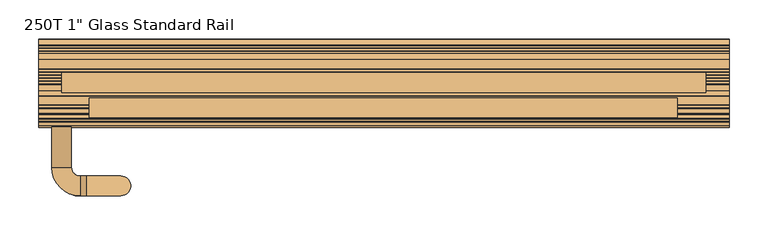
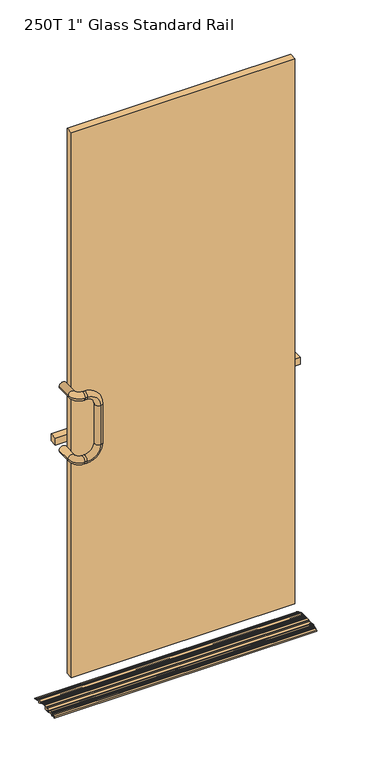
"""IFC4 building model written with IfcOpenShell, lengths in millimetres: door geometry."""

from ifc_helpers import new_model, si_unit, point, frame, origin, place, context, project, spatial, polyline, circle_curve, ellipse_curve, trimmed, outline, extrude, source, transform, mapped, element, save
from ifc_brep_helpers import plane_surface, cylinder_surface, revolved_surface, advanced_brep


def door_882f4938(model_context):
    return source(origin(), model_context, "Body", "SolidModel", [
        advanced_brep(
        [(444.5, -56.0018773, 3.232503), (444.5, -57.8173069, 0.00297), (444.5, -52.9111102, 0.6605015), (444.5, -52.9111102, 1.6039432), (444.5, -46.965502, 4.3301985), (444.5, -45.8499102, 3.6144549), (444.5, -45.8499102, 0.0), (444.5, -43.0813102, 0.0), (444.5, -43.0813102, 4.2226083), (444.5, -41.3543822, 3.5815015), (444.5, -39.1697102, 3.5815015), (444.5, -36.7821102, 5.9691015), (444.5, -36.7821102, 8.3567015), (444.5, -33.9472582, 8.3567015), (444.5, -33.2491045, 7.2051859), (444.5, -32.7767326, 3.1751015), (444.5, -27.3254878, 3.1751015), (444.5, -26.8531158, 7.2051859), (444.5, -26.1549621, 8.3567015), (444.5, -23.6757102, 8.3567015), (444.5, -22.8883102, 7.5693015), (444.5, -22.8883102, 0.7875015), (444.5, -22.1009102, 0.0001015), (444.5, -16.5637102, 0.0), (444.5, -16.5637102, 2.7687015), (444.5, -10.2137102, 2.7687015), (444.5, -10.2137102, 0.0), (444.5, -4.6765102, 0.0), (444.5, -3.8891102, 0.7875015), (444.5, -3.8891102, 8.3567015), (444.5, -3.1017102, 9.1441015), (444.5, 2.8752689, 9.1441015), (444.5, 3.6626689, 9.9315015), (444.5, 4.7294689, 9.9315015), (444.5, 5.5168689, 9.1441015), (444.5, 10.7270162, 9.1441015), (444.5, 11.5144162, 9.9315015), (444.5, 12.5812162, 9.9315015), (444.5, 13.3686162, 9.1441015), (444.5, 18.5787635, 9.1441015), (444.5, 19.3661635, 9.9315015), (444.5, 26.1637123, 9.9315015), (444.5, 26.613477, 8.4977963), (444.5, 25.9480674, 3.1751015), (444.5, 30.7056898, 3.1751015), (444.5, 30.7056898, 0.0), (444.5, 32.7376898, 0.0), (444.5, 32.7376898, 5.5373015), (444.5, 32.3312276, 7.3088865), (444.5, 33.3475373, 8.3769366), (444.5, 35.2822455, 7.5557017), (444.5, 35.6993893, 6.5232345), (444.5, 40.7496471, 4.3795272), (444.5, 41.7821143, 4.7966711), (444.5, 42.7641089, 4.3798391), (444.5, 43.1812527, 3.3473719), (444.5, 48.2315106, 1.2036646), (444.5, 49.2639778, 1.6208084), (444.5, 51.5229181, 0.6619452), (444.5, 56.4613134, 9.84e-05), (444.5, 56.4613134, 1.0522594), (444.5, 55.9815515, 1.7770649), (444.5, 49.166473, 4.6698941), (444.5, 48.1340058, 4.2527503), (444.5, 45.188022, 5.5032462), (444.5, 44.7708782, 6.5357134), (444.5, 41.6846095, 7.8457567), (444.5, 40.6521423, 7.4286129), (444.5, 37.7061586, 8.6791088), (444.5, 37.2890147, 9.711576), (444.5, 30.2484898, 12.7001015), (444.5, 18.3612898, 12.7001015), (444.5, 17.5738898, 11.9127015), (444.5, 14.3734898, 11.9127015), (444.5, 13.5860898, 12.7001015), (444.5, 10.5095425, 12.7001015), (444.5, 9.7221425, 11.9127015), (444.5, 6.5217425, 11.9127015), (444.5, 5.7343425, 12.7001015), (444.5, 2.6577952, 12.7001015), (444.5, 1.8703952, 11.9127015), (444.5, -1.3300048, 11.9127015), (444.5, -2.1174048, 12.7001015), (444.5, -10.2137102, 12.7001015), (444.5, -10.2137102, 10.3379015), (444.5, -16.5637102, 10.3379015), (444.5, -17.3511102, 11.1253015), (444.5, -28.1461102, 11.1253015), (444.5, -28.9335102, 10.3379015), (444.5, -32.1339102, 10.3379015), (444.5, -32.9213102, 11.1253015), (444.5, -38.7887102, 11.1253015), (444.5, -40.666302, 10.2643645), (444.5, -41.1255102, 9.5486209), (444.5, -41.1255102, 6.449763), (444.5, -45.4689102, 8.062212), (444.5, -46.3231848, 7.6704992), (444.5, -46.7107366, 6.6265638), (444.5, -49.619888, 5.292623), (444.5, -50.6638234, 5.6801748), (-444.5, -56.0018773, 3.232503), (-444.5, -50.6638234, 5.6801748), (-444.5, -49.619888, 5.292623), (-444.5, -46.7107366, 6.6265638), (-444.5, -46.3231848, 7.6704992), (-444.5, -45.4689102, 8.062212), (-444.5, -41.1255102, 6.449763), (-444.5, -41.1255102, 9.5486209), (-444.5, -40.666302, 10.2643645), (-444.5, -38.7887102, 11.1253015), (-444.5, -32.9213102, 11.1253015), (-444.5, -32.1339102, 10.3379015), (-444.5, -28.9335102, 10.3379015), (-444.5, -28.1461102, 11.1253015), (-444.5, -17.3511102, 11.1253015), (-444.5, -16.5637102, 10.3379015), (-444.5, -10.2137102, 10.3379015), (-444.5, -10.2137102, 12.7001015), (-444.5, -2.1174048, 12.7001015), (-444.5, -1.3300048, 11.9127015), (-444.5, 1.8703952, 11.9127015), (-444.5, 2.6577952, 12.7001015), (-444.5, 5.7343425, 12.7001015), (-444.5, 6.5217425, 11.9127015), (-444.5, 9.7221425, 11.9127015), (-444.5, 10.5095425, 12.7001015), (-444.5, 13.5860898, 12.7001015), (-444.5, 14.3734898, 11.9127015), (-444.5, 17.5738898, 11.9127015), (-444.5, 18.3612898, 12.7001015), (-444.5, 30.2484898, 12.7001015), (-444.5, 37.2890147, 9.711576), (-444.5, 37.7061586, 8.6791088), (-444.5, 40.6521423, 7.4286129), (-444.5, 41.6846095, 7.8457567), (-444.5, 44.7708782, 6.5357134), (-444.5, 45.188022, 5.5032462), (-444.5, 48.1340058, 4.2527503), (-444.5, 49.166473, 4.6698941), (-444.5, 55.9815515, 1.7770649), (-444.5, 56.4612898, 1.0522594), (-444.5, 56.4613134, 9.84e-05), (-444.5, 51.5229181, 0.6619452), (-444.5, 49.2639778, 1.6208084), (-444.5, 48.2315106, 1.2036646), (-444.5, 43.1812527, 3.3473719), (-444.5, 42.7641089, 4.3798391), (-444.5, 41.7821143, 4.7966711), (-444.5, 40.7496471, 4.3795272), (-444.5, 35.6993893, 6.5232345), (-444.5, 35.2822455, 7.5557017), (-444.5, 33.3475373, 8.3769366), (-444.5, 32.3312276, 7.3088865), (-444.5, 32.7376898, 5.5373015), (-444.5, 32.7376898, 0.0), (-444.5, 30.7056898, 0.0), (-444.5, 30.7056898, 3.1751015), (-444.5, 25.9480674, 3.1751015), (-444.5, 26.613477, 8.4977963), (-444.5, 26.1637123, 9.9315015), (-444.5, 19.3661635, 9.9315015), (-444.5, 18.5787635, 9.1441015), (-444.5, 13.3686162, 9.1441015), (-444.5, 12.5812162, 9.9315015), (-444.5, 11.5144162, 9.9315015), (-444.5, 10.7270162, 9.1441015), (-444.5, 5.5168689, 9.1441015), (-444.5, 4.7294689, 9.9315015), (-444.5, 3.6626689, 9.9315015), (-444.5, 2.8752689, 9.1441015), (-444.5, -3.1017102, 9.1441015), (-444.5, -3.8891102, 8.3567015), (-444.5, -3.8891102, 0.7875015), (-444.5, -4.6765102, 0.0001015), (-444.5, -10.2137102, 0.0), (-444.5, -10.2137102, 2.7687015), (-444.5, -16.5637102, 2.7687015), (-444.5, -16.5637102, 0.0), (-444.5, -22.1009102, 0.0), (-444.5, -22.8883102, 0.7875015), (-444.5, -22.8883102, 7.5693015), (-444.5, -23.6757102, 8.3567015), (-444.5, -26.1549621, 8.3567015), (-444.5, -26.8531158, 7.2051859), (-444.5, -27.3254878, 3.1751015), (-444.5, -32.7767326, 3.1751015), (-444.5, -33.2491045, 7.2051859), (-444.5, -33.9472582, 8.3567015), (-444.5, -36.7821102, 8.3567015), (-444.5, -36.7821102, 5.9691015), (-444.5, -39.1697102, 3.5815015), (-444.5, -41.3543822, 3.5815015), (-444.5, -43.0813102, 4.2226083), (-444.5, -43.0813102, 0.0), (-444.5, -45.8499102, 0.0), (-444.5, -45.8499102, 3.6144549), (-444.5, -46.965502, 4.3301985), (-444.5, -52.9111102, 1.6039432), (-444.5, -52.9111102, 0.6605015), (-444.5, -57.8173069, 0.00297)],
        [
            (0, 1, circle_curve(frame((444.5, -54.6891102, 0.3695285), z_axis=(1.0, 0.0, 0.0), x_axis=(0.0, 1.0, 0.0)), 3.1496)),
            (1, 2),
            (2, 3),
            (3, 4),
            (4, 5, circle_curve(frame((444.5, -46.6373102, 3.6144549), z_axis=(-1.0, 0.0, 0.0), x_axis=(0.0, 1.0, 0.0)), 0.7874)),
            (5, 6),
            (6, 7),
            (7, 8),
            (8, 9),
            (9, 10),
            (10, 11, circle_curve(frame((444.5, -39.1697102, 5.9691015), z_axis=(1.0, 0.0, 0.0), x_axis=(0.0, 1.0, 0.0)), 2.3876)),
            (11, 12),
            (12, 13),
            (13, 14, circle_curve(frame((444.5, -33.9472582, 7.5693015), z_axis=(-1.0, 0.0, 0.0), x_axis=(0.0, 1.0, 0.0)), 0.7874)),
            (14, 15, circle_curve(frame((444.5, -30.0511102, 5.5373015), z_axis=(1.0, 0.0, 0.0), x_axis=(0.0, 1.0, 0.0)), 3.6068)),
            (15, 16),
            (16, 17, circle_curve(frame((444.5, -30.0511102, 5.5373015), z_axis=(1.0, 0.0, 0.0), x_axis=(0.0, 1.0, 0.0)), 3.6068)),
            (17, 18, circle_curve(frame((444.5, -26.1549621, 7.5693015), z_axis=(-1.0, 0.0, 0.0), x_axis=(0.0, 1.0, 0.0)), 0.7874)),
            (18, 19),
            (19, 20, circle_curve(frame((444.5, -23.6757102, 7.5693015), z_axis=(-1.0, 0.0, 0.0), x_axis=(0.0, 1.0, 0.0)), 0.7874)),
            (20, 21),
            (21, 22, circle_curve(frame((444.5, -22.1009102, 0.7875015), z_axis=(1.0, 0.0, 0.0), x_axis=(0.0, 1.0, 0.0)), 0.7874)),
            (22, 23),
            (23, 24),
            (24, 25),
            (25, 26),
            (26, 27),
            (27, 28, circle_curve(frame((444.5, -4.6765102, 0.7875015), z_axis=(1.0, 0.0, 0.0), x_axis=(0.0, 1.0, 0.0)), 0.7874)),
            (28, 29),
            (29, 30, circle_curve(frame((444.5, -3.1017102, 8.3567015), z_axis=(-1.0, 0.0, 0.0), x_axis=(0.0, 1.0, 0.0)), 0.7874)),
            (30, 31),
            (31, 32),
            (32, 33),
            (33, 34),
            (34, 35),
            (35, 36),
            (36, 37),
            (37, 38),
            (38, 39),
            (39, 40),
            (40, 41),
            (41, 42, circle_curve(frame((444.5, 26.1637123, 9.1441015), z_axis=(-1.0, 0.0, 0.0), x_axis=(0.0, 1.0, 0.0)), 0.7874)),
            (42, 43, circle_curve(frame((444.5, 28.6736898, 5.5373015), z_axis=(1.0, 0.0, 0.0), x_axis=(0.0, 1.0, 0.0)), 3.6068)),
            (43, 44),
            (44, 45),
            (45, 46),
            (46, 47),
            (47, 48, circle_curve(frame((444.5, 28.6736898, 5.5373015), z_axis=(1.0, 0.0, 0.0), x_axis=(0.0, 1.0, 0.0)), 4.064)),
            (48, 49, circle_curve(frame((444.5, 33.0398756, 7.6521311), z_axis=(-1.0, 0.0, 0.0), x_axis=(0.0, 1.0, 0.0)), 0.7874)),
            (49, 50),
            (50, 51),
            (51, 52),
            (52, 53),
            (53, 54),
            (54, 55),
            (55, 56),
            (56, 57),
            (57, 58),
            (58, 59),
            (59, 60),
            (60, 61, circle_curve(frame((444.5, 55.6738898, 1.0522594), z_axis=(1.0, 0.0, 0.0), x_axis=(0.0, 1.0, 0.0)), 0.7874)),
            (61, 62),
            (62, 63),
            (63, 64),
            (64, 65),
            (65, 66),
            (66, 67),
            (67, 68),
            (68, 69),
            (69, 70),
            (70, 71),
            (71, 72),
            (72, 73),
            (73, 74),
            (74, 75),
            (75, 76),
            (76, 77),
            (77, 78),
            (78, 79),
            (79, 80),
            (80, 81),
            (81, 82),
            (82, 83),
            (83, 84),
            (84, 85, circle_curve(frame((444.5, -13.3887102, 24.0835969), z_axis=(-1.0, 0.0, 0.0), x_axis=(0.0, 1.0, 0.0)), 14.1076138)),
            (85, 86, circle_curve(frame((444.5, -17.3511102, 10.3379015), z_axis=(1.0, 0.0, 0.0), x_axis=(0.0, 1.0, 0.0)), 0.7874)),
            (86, 87),
            (87, 88),
            (88, 89),
            (89, 90),
            (90, 91),
            (91, 92),
            (92, 93, circle_curve(frame((444.5, -40.3381102, 9.5486209), z_axis=(1.0, 0.0, 0.0), x_axis=(0.0, 1.0, 0.0)), 0.7874)),
            (93, 94),
            (94, 95),
            (95, 96),
            (96, 97),
            (97, 98),
            (98, 99),
            (99, 0),
            (100, 101),
            (101, 102),
            (102, 103),
            (103, 104),
            (104, 105),
            (105, 106),
            (106, 107),
            (107, 108, circle_curve(frame((-444.5, -40.3381102, 9.5486209), z_axis=(-1.0, 0.0, 0.0), x_axis=(0.0, 1.0, 0.0)), 0.7874)),
            (108, 109),
            (109, 110),
            (110, 111),
            (111, 112),
            (112, 113),
            (113, 114),
            (114, 115, circle_curve(frame((-444.5, -17.3511102, 10.3379015), z_axis=(-1.0, 0.0, 0.0), x_axis=(0.0, 1.0, 0.0)), 0.7874)),
            (115, 116, circle_curve(frame((-444.5, -13.3887102, 24.0835969), z_axis=(1.0, 0.0, 0.0), x_axis=(0.0, 1.0, 0.0)), 14.1076138)),
            (116, 117),
            (117, 118),
            (118, 119),
            (119, 120),
            (120, 121),
            (121, 122),
            (122, 123),
            (123, 124),
            (124, 125),
            (125, 126),
            (126, 127),
            (127, 128),
            (128, 129),
            (129, 130),
            (130, 131),
            (131, 132),
            (132, 133),
            (133, 134),
            (134, 135),
            (135, 136),
            (136, 137),
            (137, 138),
            (138, 139),
            (139, 140, circle_curve(frame((-444.5, 55.6738898, 1.0522594), z_axis=(-1.0, 0.0, 0.0), x_axis=(0.0, 1.0, 0.0)), 0.7874)),
            (140, 141),
            (141, 142),
            (142, 143),
            (143, 144),
            (144, 145),
            (145, 146),
            (146, 147),
            (147, 148),
            (148, 149),
            (149, 150),
            (150, 151),
            (151, 152, circle_curve(frame((-444.5, 33.0398756, 7.6521311), z_axis=(1.0, 0.0, 0.0), x_axis=(0.0, 1.0, 0.0)), 0.7874)),
            (152, 153, circle_curve(frame((-444.5, 28.6736898, 5.5373015), z_axis=(-1.0, 0.0, 0.0), x_axis=(0.0, 1.0, 0.0)), 4.064)),
            (153, 154),
            (154, 155),
            (155, 156),
            (156, 157),
            (157, 158, circle_curve(frame((-444.5, 28.6736898, 5.5373015), z_axis=(-1.0, 0.0, 0.0), x_axis=(0.0, 1.0, 0.0)), 3.6068)),
            (158, 159, circle_curve(frame((-444.5, 26.1637123, 9.1441015), z_axis=(1.0, 0.0, 0.0), x_axis=(0.0, 1.0, 0.0)), 0.7874)),
            (159, 160),
            (160, 161),
            (161, 162),
            (162, 163),
            (163, 164),
            (164, 165),
            (165, 166),
            (166, 167),
            (167, 168),
            (168, 169),
            (169, 170),
            (170, 171, circle_curve(frame((-444.5, -3.1017102, 8.3567015), z_axis=(1.0, 0.0, 0.0), x_axis=(0.0, 1.0, 0.0)), 0.7874)),
            (171, 172),
            (172, 173, circle_curve(frame((-444.5, -4.6765102, 0.7875015), z_axis=(-1.0, 0.0, 0.0), x_axis=(0.0, 1.0, 0.0)), 0.7874)),
            (173, 174),
            (174, 175),
            (175, 176),
            (176, 177),
            (177, 178),
            (178, 179, circle_curve(frame((-444.5, -22.1009102, 0.7875015), z_axis=(-1.0, 0.0, 0.0), x_axis=(0.0, 1.0, 0.0)), 0.7874)),
            (179, 180),
            (180, 181, circle_curve(frame((-444.5, -23.6757102, 7.5693015), z_axis=(1.0, 0.0, 0.0), x_axis=(0.0, 1.0, 0.0)), 0.7874)),
            (181, 182),
            (182, 183, circle_curve(frame((-444.5, -26.1549621, 7.5693015), z_axis=(1.0, 0.0, 0.0), x_axis=(0.0, 1.0, 0.0)), 0.7874)),
            (183, 184, circle_curve(frame((-444.5, -30.0511102, 5.5373015), z_axis=(-1.0, 0.0, 0.0), x_axis=(0.0, 1.0, 0.0)), 3.6068)),
            (184, 185),
            (185, 186, circle_curve(frame((-444.5, -30.0511102, 5.5373015), z_axis=(-1.0, 0.0, 0.0), x_axis=(0.0, 1.0, 0.0)), 3.6068)),
            (186, 187, circle_curve(frame((-444.5, -33.9472582, 7.5693015), z_axis=(1.0, 0.0, 0.0), x_axis=(0.0, 1.0, 0.0)), 0.7874)),
            (187, 188),
            (188, 189),
            (189, 190, circle_curve(frame((-444.5, -39.1697102, 5.9691015), z_axis=(-1.0, 0.0, 0.0), x_axis=(0.0, 1.0, 0.0)), 2.3876)),
            (190, 191),
            (191, 192),
            (192, 193),
            (193, 194),
            (194, 195),
            (195, 196, circle_curve(frame((-444.5, -46.6373102, 3.6144549), z_axis=(1.0, 0.0, 0.0), x_axis=(0.0, 1.0, 0.0)), 0.7874)),
            (196, 197),
            (197, 198),
            (198, 199),
            (199, 100, circle_curve(frame((-444.5, -54.6891102, 0.3695285), z_axis=(-1.0, 0.0, 0.0), x_axis=(0.0, 1.0, 0.0)), 3.1496)),
            (199, 1),
            (0, 100),
            (198, 2),
            (197, 3),
            (196, 4),
            (195, 5),
            (194, 6),
            (193, 7),
            (192, 8),
            (191, 9),
            (190, 10),
            (189, 11),
            (188, 12),
            (187, 13),
            (186, 14),
            (185, 15),
            (184, 16),
            (183, 17),
            (182, 18),
            (181, 19),
            (180, 20),
            (179, 21),
            (178, 22),
            (177, 23),
            (176, 24),
            (175, 25),
            (174, 26),
            (173, 27),
            (172, 28),
            (171, 29),
            (170, 30),
            (169, 31),
            (168, 32),
            (167, 33),
            (166, 34),
            (165, 35),
            (164, 36),
            (163, 37),
            (162, 38),
            (161, 39),
            (160, 40),
            (159, 41),
            (158, 42),
            (157, 43),
            (156, 44),
            (155, 45),
            (154, 46),
            (153, 47),
            (152, 48),
            (151, 49),
            (150, 50),
            (149, 51),
            (148, 52),
            (147, 53),
            (146, 54),
            (145, 55),
            (144, 56),
            (143, 57),
            (142, 58),
            (141, 59),
            (140, 60),
            (139, 61),
            (138, 62),
            (137, 63),
            (136, 64),
            (135, 65),
            (134, 66),
            (133, 67),
            (132, 68),
            (131, 69),
            (130, 70),
            (129, 71),
            (128, 72),
            (127, 73),
            (126, 74),
            (125, 75),
            (124, 76),
            (123, 77),
            (122, 78),
            (121, 79),
            (120, 80),
            (119, 81),
            (118, 82),
            (117, 83),
            (116, 84),
            (115, 85),
            (114, 86),
            (113, 87),
            (112, 88),
            (111, 89),
            (110, 90),
            (109, 91),
            (108, 92),
            (107, 93),
            (106, 94),
            (105, 95),
            (104, 96),
            (103, 97),
            (102, 98),
            (101, 99),
        ],
        [
            plane_surface(frame((444.5, -51.5395102, 0.3695285), z_axis=(1.0, 0.0, 0.0), x_axis=(0.0, 0.0, -1.0))),
            plane_surface(frame((-444.5, -51.5395102, 0.3695285), z_axis=(-1.0, 0.0, 0.0), x_axis=(0.0, 0.0, 1.0))),
            cylinder_surface(frame((444.5, -54.6891102, 0.3695285), z_axis=(-1.0, 0.0, 0.0), x_axis=(0.0, 1.0, 0.0)), 3.1496),
            plane_surface(frame((-444.5, -57.8173069, 0.00297), z_axis=(0.0, 0.13283298616435907, -0.9911384352282274), x_axis=(1.0, 0.0, 0.0))),
            plane_surface(frame((-444.5, -52.9111102, 0.6605015), z_axis=(0.0, 1.0, 0.0), x_axis=(1.0, 0.0, 0.0))),
            plane_surface(frame((-444.5, -52.9111102, 1.6039432), z_axis=(0.0, 0.4168044055904199, -0.9089961977260503), x_axis=(1.0, 0.0, 0.0))),
            revolved_surface(polyline([(444.5, -45.849910200000004, 3.6144549), (-444.5, -45.849910200000004, 3.6144549)]), (444.5, -46.6373102, 3.6144549), (1.0, 0.0, 0.0)),
            plane_surface(frame((-444.5, -45.8499102, 3.6144549), z_axis=(0.0, -1.0, 0.0), x_axis=(1.0, 0.0, 0.0))),
            plane_surface(frame((-444.5, -45.8499102, 0.0), z_axis=(0.0, 0.0, -1.0), x_axis=(1.0, 0.0, 0.0))),
            plane_surface(frame((-444.5, -43.0813102, 0.0), z_axis=(0.0, 1.0, 0.0), x_axis=(1.0, 0.0, 0.0))),
            plane_surface(frame((-444.5, -43.0813102, 4.2226083), z_axis=(0.0, -0.34803215386348857, -0.9374825971062828), x_axis=(1.0, 0.0, 0.0))),
            plane_surface(frame((-444.5, -41.3543822, 3.5815015), z_axis=(0.0, 0.0, -1.0), x_axis=(1.0, 0.0, 0.0))),
            cylinder_surface(frame((444.5, -39.1697102, 5.9691015), z_axis=(-1.0, 0.0, 0.0), x_axis=(0.0, 1.0, 0.0)), 2.3876),
            plane_surface(frame((-444.5, -36.7821102, 5.9691015), z_axis=(0.0, 1.0, 0.0), x_axis=(1.0, 0.0, 0.0))),
            plane_surface(frame((-444.5, -36.7821102, 8.3567015), z_axis=(0.0, 0.0, -1.0), x_axis=(1.0, 0.0, 0.0))),
            revolved_surface(polyline([(444.5, -33.1598582, 7.5693015), (-444.5, -33.1598582, 7.5693015)]), (444.5, -33.9472582, 7.5693015), (1.0, 0.0, 0.0)),
            cylinder_surface(frame((444.5, -30.0511102, 5.5373015), z_axis=(-1.0, 0.0, 0.0), x_axis=(0.0, 1.0, 0.0)), 3.6068),
            plane_surface(frame((-444.5, -32.7767326, 3.1751015), z_axis=(0.0, 0.0, -1.0), x_axis=(1.0, 0.0, 0.0))),
            revolved_surface(polyline([(444.5, -25.367562099999997, 7.5693015), (-444.5, -25.367562099999997, 7.5693015)]), (444.5, -26.1549621, 7.5693015), (1.0, 0.0, 0.0)),
            plane_surface(frame((-444.5, -26.1549621, 8.3567015), z_axis=(0.0, 0.0, -1.0), x_axis=(1.0, 0.0, 0.0))),
            revolved_surface(polyline([(444.5, -22.8883102, 7.5693015), (-444.5, -22.8883102, 7.5693015)]), (444.5, -23.6757102, 7.5693015), (1.0, 0.0, 0.0)),
            plane_surface(frame((-444.5, -22.8883102, 7.5693015), z_axis=(0.0, -1.0, 0.0), x_axis=(1.0, 0.0, 0.0))),
            cylinder_surface(frame((444.5, -22.1009102, 0.7875015), z_axis=(-1.0, 0.0, 0.0), x_axis=(0.0, 1.0, 0.0)), 0.7874),
            plane_surface(frame((-444.5, -22.1009102, 0.0), z_axis=(0.0, 0.0, -1.0), x_axis=(1.0, 0.0, 0.0))),
            plane_surface(frame((-444.5, -16.5637102, 0.0), z_axis=(0.0, 1.0, 0.0), x_axis=(1.0, 0.0, 0.0))),
            plane_surface(frame((-444.5, -16.5637102, 2.7687015), z_axis=(0.0, 0.0, -1.0), x_axis=(1.0, 0.0, 0.0))),
            plane_surface(frame((-444.5, -10.2137102, 2.7687015), z_axis=(0.0, -1.0, 0.0), x_axis=(1.0, 0.0, 0.0))),
            plane_surface(frame((-444.5, -10.2137102, 0.0), z_axis=(0.0, 0.0, -1.0), x_axis=(1.0, 0.0, 0.0))),
            cylinder_surface(frame((444.5, -4.6765102, 0.7875015), z_axis=(-1.0, 0.0, 0.0), x_axis=(0.0, 1.0, 0.0)), 0.7874),
            plane_surface(frame((-444.5, -3.8891102, 0.7875015), z_axis=(0.0, 1.0, 0.0), x_axis=(1.0, 0.0, 0.0))),
            revolved_surface(polyline([(444.5, -2.3143102, 8.3567015), (-444.5, -2.3143102, 8.3567015)]), (444.5, -3.1017102, 8.3567015), (1.0, 0.0, 0.0)),
            plane_surface(frame((-444.5, -3.1017102, 9.1441015), z_axis=(0.0, 0.0, -1.0), x_axis=(1.0, 0.0, 0.0))),
            plane_surface(frame((-444.5, 2.8752689, 9.1441015), z_axis=(0.0, 0.7071067811858994, -0.7071067811871957), x_axis=(1.0, 0.0, 0.0))),
            plane_surface(frame((-444.5, 3.6626689, 9.9315015), z_axis=(0.0, 0.0, -1.0), x_axis=(1.0, 0.0, 0.0))),
            plane_surface(frame((-444.5, 4.7294689, 9.9315015), z_axis=(0.0, -0.7071067811858999, -0.7071067811871952), x_axis=(1.0, 0.0, 0.0))),
            plane_surface(frame((-444.5, 5.5168689, 9.1441015), z_axis=(0.0, 0.0, -1.0), x_axis=(1.0, 0.0, 0.0))),
            plane_surface(frame((-444.5, 10.7270162, 9.1441015), z_axis=(0.0, 0.7071067811865451, -0.7071067811865499), x_axis=(1.0, 0.0, 0.0))),
            plane_surface(frame((-444.5, 11.5144162, 9.9315015), z_axis=(0.0, 0.0, -1.0), x_axis=(1.0, 0.0, 0.0))),
            plane_surface(frame((-444.5, 12.5812162, 9.9315015), z_axis=(0.0, -0.7071067811858999, -0.7071067811871952), x_axis=(1.0, 0.0, 0.0))),
            plane_surface(frame((-444.5, 13.3686162, 9.1441015), z_axis=(0.0, 0.0, -1.0), x_axis=(1.0, 0.0, 0.0))),
            plane_surface(frame((-444.5, 18.5787635, 9.1441015), z_axis=(0.0, 0.7071067811858994, -0.7071067811871957), x_axis=(1.0, 0.0, 0.0))),
            plane_surface(frame((-444.5, 19.3661635, 9.9315015), z_axis=(0.0, 0.0, -1.0), x_axis=(1.0, 0.0, 0.0))),
            revolved_surface(polyline([(444.5, 26.951112300000002, 9.1441015), (-444.5, 26.951112300000002, 9.1441015)]), (444.5, 26.1637123, 9.1441015), (1.0, 0.0, 0.0)),
            cylinder_surface(frame((444.5, 28.6736898, 5.5373015), z_axis=(-1.0, 0.0, 0.0), x_axis=(0.0, 1.0, 0.0)), 3.6068),
            plane_surface(frame((-444.5, 25.9480674, 3.1751015), z_axis=(0.0, 0.0, -1.0), x_axis=(1.0, 0.0, 0.0))),
            plane_surface(frame((-444.5, 30.7056898, 3.1751015), z_axis=(0.0, -1.0, 0.0), x_axis=(1.0, 0.0, 0.0))),
            plane_surface(frame((-444.5, 30.7056898, 0.0), z_axis=(0.0, 0.0, -1.0), x_axis=(1.0, 0.0, 0.0))),
            plane_surface(frame((-444.5, 32.7376898, 0.0), z_axis=(0.0, 1.0, 0.0), x_axis=(1.0, 0.0, 0.0))),
            cylinder_surface(frame((444.5, 28.6736898, 5.5373015), z_axis=(-1.0, 0.0, 0.0), x_axis=(0.0, 1.0, 0.0)), 4.064),
            revolved_surface(polyline([(444.5, 33.8272756, 7.6521311), (-444.5, 33.8272756, 7.6521311)]), (444.5, 33.0398756, 7.6521311), (1.0, 0.0, 0.0)),
            plane_surface(frame((-444.5, 33.3475373, 8.3769366), z_axis=(0.0, -0.3907311284894216, -0.9205048534523776), x_axis=(1.0, 0.0, 0.0))),
            plane_surface(frame((-444.5, 35.2822455, 7.5557017), z_axis=(0.0, -0.9271838545667257, -0.37460659341606467), x_axis=(1.0, 0.0, 0.0))),
            plane_surface(frame((-444.5, 35.6993893, 6.5232345), z_axis=(0.0, -0.39073112848902, -0.9205048534525481), x_axis=(1.0, 0.0, 0.0))),
            plane_surface(frame((-444.5, 40.7496471, 4.3795272), z_axis=(0.0, 0.3746065934149557, -0.9271838545671738), x_axis=(1.0, 0.0, 0.0))),
            plane_surface(frame((-444.5, 41.7821143, 4.7966711), z_axis=(0.0, -0.3907311284888004, -0.9205048534526413), x_axis=(1.0, 0.0, 0.0))),
            plane_surface(frame((-444.5, 42.7641089, 4.3798391), z_axis=(0.0, -0.9271838545667251, -0.3746065934160663), x_axis=(1.0, 0.0, 0.0))),
            plane_surface(frame((-444.5, 43.1812527, 3.3473719), z_axis=(0.0, -0.39073112848946623, -0.9205048534523587), x_axis=(1.0, 0.0, 0.0))),
            plane_surface(frame((-444.5, 48.2315106, 1.2036646), z_axis=(0.0, 0.3746065934171786, -0.9271838545662757), x_axis=(1.0, 0.0, 0.0))),
            plane_surface(frame((-444.5, 49.2639778, 1.6208084), z_axis=(0.0, -0.3907311284899537, -0.9205048534521517), x_axis=(1.0, 0.0, 0.0))),
            plane_surface(frame((-444.5, 51.5229181, 0.6619452), z_axis=(0.0, -0.13283298616442385, -0.9911384352282188), x_axis=(1.0, 0.0, 0.0))),
            plane_surface(frame((-444.5, 56.4613134, 9.84e-05), z_axis=(0.0, 1.0, 0.0), x_axis=(1.0, 0.0, 0.0))),
            cylinder_surface(frame((444.5, 55.6738898, 1.0522594), z_axis=(-1.0, 0.0, 0.0), x_axis=(0.0, 1.0, 0.0)), 0.7874),
            plane_surface(frame((-444.5, 55.9815515, 1.7770649), z_axis=(0.0, 0.39073112848899777, 0.9205048534525575), x_axis=(1.0, 0.0, 0.0))),
            plane_surface(frame((-444.5, 49.166473, 4.6698941), z_axis=(0.0, -0.37460659341495345, 0.9271838545671747), x_axis=(1.0, 0.0, 0.0))),
            plane_surface(frame((-444.5, 48.1340058, 4.2527503), z_axis=(0.0, 0.3907311284894011, 0.9205048534523863), x_axis=(1.0, 0.0, 0.0))),
            plane_surface(frame((-444.5, 45.188022, 5.5032462), z_axis=(0.0, 0.9271838545667257, 0.37460659341606467), x_axis=(1.0, 0.0, 0.0))),
            plane_surface(frame((-444.5, 44.7708782, 6.5357134), z_axis=(0.0, 0.390731128489316, 0.9205048534524225), x_axis=(1.0, 0.0, 0.0))),
            plane_surface(frame((-444.5, 41.6846095, 7.8457567), z_axis=(0.0, -0.37460659341718167, 0.9271838545662745), x_axis=(1.0, 0.0, 0.0))),
            plane_surface(frame((-444.5, 40.6521423, 7.4286129), z_axis=(0.0, 0.39073112848940333, 0.9205048534523854), x_axis=(1.0, 0.0, 0.0))),
            plane_surface(frame((-444.5, 37.7061586, 8.6791088), z_axis=(0.0, 0.9271838545667257, 0.37460659341606506), x_axis=(1.0, 0.0, 0.0))),
            plane_surface(frame((-444.5, 37.2890147, 9.711576), z_axis=(0.0, 0.39073112848944413, 0.9205048534523681), x_axis=(1.0, 0.0, 0.0))),
            plane_surface(frame((-444.5, 30.2484898, 12.7001015), z_axis=(0.0, 0.0, 1.0), x_axis=(1.0, 0.0, 0.0))),
            plane_surface(frame((-444.5, 18.3612898, 12.7001015), z_axis=(0.0, -0.7071067811871952, 0.7071067811858999), x_axis=(1.0, 0.0, 0.0))),
            plane_surface(frame((-444.5, 17.5738898, 11.9127015), z_axis=(0.0, 0.0, 1.0), x_axis=(1.0, 0.0, 0.0))),
            plane_surface(frame((-444.5, 14.3734898, 11.9127015), z_axis=(0.0, 0.707106781187197, 0.707106781185898), x_axis=(1.0, 0.0, 0.0))),
            plane_surface(frame((-444.5, 13.5860898, 12.7001015), z_axis=(0.0, 0.0, 1.0), x_axis=(1.0, 0.0, 0.0))),
            plane_surface(frame((-444.5, 10.5095425, 12.7001015), z_axis=(0.0, -0.7071067811871952, 0.7071067811858999), x_axis=(1.0, 0.0, 0.0))),
            plane_surface(frame((-444.5, 9.7221425, 11.9127015), z_axis=(0.0, 0.0, 1.0), x_axis=(1.0, 0.0, 0.0))),
            plane_surface(frame((-444.5, 6.5217425, 11.9127015), z_axis=(0.0, 0.7071067811871962, 0.7071067811858989), x_axis=(1.0, 0.0, 0.0))),
            plane_surface(frame((-444.5, 5.7343425, 12.7001015), z_axis=(0.0, 0.0, 1.0), x_axis=(1.0, 0.0, 0.0))),
            plane_surface(frame((-444.5, 2.6577952, 12.7001015), z_axis=(0.0, -0.7071067811878458, 0.7071067811852494), x_axis=(1.0, 0.0, 0.0))),
            plane_surface(frame((-444.5, 1.8703952, 11.9127015), z_axis=(0.0, 0.0, 1.0), x_axis=(1.0, 0.0, 0.0))),
            plane_surface(frame((-444.5, -1.3300048, 11.9127015), z_axis=(0.0, 0.7071067811871962, 0.7071067811858989), x_axis=(1.0, 0.0, 0.0))),
            plane_surface(frame((-444.5, -2.1174048, 12.7001015), z_axis=(0.0, 0.0, 1.0), x_axis=(1.0, 0.0, 0.0))),
            plane_surface(frame((-444.5, -10.2137102, 12.7001015), z_axis=(0.0, -1.0, 0.0), x_axis=(1.0, 0.0, 0.0))),
            revolved_surface(polyline([(444.5, 0.7189035999999991, 24.0835969), (-444.5, 0.7189035999999991, 24.0835969)]), (444.5, -13.3887102, 24.0835969), (1.0, 0.0, 0.0)),
            cylinder_surface(frame((444.5, -17.3511102, 10.3379015), z_axis=(-1.0, 0.0, 0.0), x_axis=(0.0, 1.0, 0.0)), 0.7874),
            plane_surface(frame((-444.5, -17.3511102, 11.1253015), z_axis=(0.0, 0.0, 1.0), x_axis=(1.0, 0.0, 0.0))),
            plane_surface(frame((-444.5, -28.1461102, 11.1253015), z_axis=(0.0, -0.707106781185899, 0.7071067811871962), x_axis=(1.0, 0.0, 0.0))),
            plane_surface(frame((-444.5, -28.9335102, 10.3379015), z_axis=(0.0, 0.0, 1.0), x_axis=(1.0, 0.0, 0.0))),
            plane_surface(frame((-444.5, -32.1339102, 10.3379015), z_axis=(0.0, 0.7071067811858999, 0.7071067811871952), x_axis=(1.0, 0.0, 0.0))),
            plane_surface(frame((-444.5, -32.9213102, 11.1253015), z_axis=(0.0, 0.0, 1.0), x_axis=(1.0, 0.0, 0.0))),
            plane_surface(frame((-444.5, -38.7887102, 11.1253015), z_axis=(0.0, -0.4168044055898942, 0.9089961977262915), x_axis=(1.0, 0.0, 0.0))),
            cylinder_surface(frame((444.5, -40.3381102, 9.5486209), z_axis=(-1.0, 0.0, 0.0), x_axis=(0.0, 1.0, 0.0)), 0.7874),
            plane_surface(frame((-444.5, -41.1255102, 9.5486209), z_axis=(0.0, -1.0, 0.0), x_axis=(1.0, 0.0, 0.0))),
            plane_surface(frame((-444.5, -41.1255102, 6.449763), z_axis=(0.0, 0.34803215386352576, 0.9374825971062691), x_axis=(1.0, 0.0, 0.0))),
            plane_surface(frame((-444.5, -45.4689102, 8.062212), z_axis=(0.0, -0.41680440558842324, 0.9089961977269658), x_axis=(1.0, 0.0, 0.0))),
            plane_surface(frame((-444.5, -46.3231848, 7.6704992), z_axis=(0.0, -0.9374825971060472, 0.3480321538641233), x_axis=(1.0, 0.0, 0.0))),
            plane_surface(frame((-444.5, -46.7107366, 6.6265638), z_axis=(0.0, -0.41680440559001053, 0.9089961977262381), x_axis=(1.0, 0.0, 0.0))),
            plane_surface(frame((-444.5, -49.619888, 5.292623), z_axis=(0.0, 0.3480321538633442, 0.9374825971063365), x_axis=(1.0, 0.0, 0.0))),
            plane_surface(frame((-444.5, -50.6638234, 5.6801748), z_axis=(0.0, -0.41680440559015, 0.9089961977261741), x_axis=(1.0, 0.0, 0.0))),
        ],
        [
            (0, [[1, 2, 3, 4, 5, 6, 7, 8, 9, 10, 11, 12, 13, 14, 15, 16, 17, 18, 19, 20, 21, 22, 23, 24, 25, 26, 27, 28, 29, 30, 31, 32, 33, 34, 35, 36, 37, 38, 39, 40, 41, 42, 43, 44, 45, 46, 47, 48, 49, 50, 51, 52, 53, 54, 55, 56, 57, 58, 59, 60, 61, 62, 63, 64, 65, 66, 67, 68, 69, 70, 71, 72, 73, 74, 75, 76, 77, 78, 79, 80, 81, 82, 83, 84, 85, 86, 87, 88, 89, 90, 91, 92, 93, 94, 95, 96, 97, 98, 99, 100]]),
            (1, [[101, 102, 103, 104, 105, 106, 107, 108, 109, 110, 111, 112, 113, 114, 115, 116, 117, 118, 119, 120, 121, 122, 123, 124, 125, 126, 127, 128, 129, 130, 131, 132, 133, 134, 135, 136, 137, 138, 139, 140, 141, 142, 143, 144, 145, 146, 147, 148, 149, 150, 151, 152, 153, 154, 155, 156, 157, 158, 159, 160, 161, 162, 163, 164, 165, 166, 167, 168, 169, 170, 171, 172, 173, 174, 175, 176, 177, 178, 179, 180, 181, 182, 183, 184, 185, 186, 187, 188, 189, 190, 191, 192, 193, 194, 195, 196, 197, 198, 199, 200]]),
            (2, [[201, -1, 202, -200]]),
            (3, [[203, -2, -201, -199]]),
            (4, [[204, -3, -203, -198]]),
            (5, [[205, -4, -204, -197]]),
            (6, [[206, -5, -205, -196]]),
            (7, [[207, -6, -206, -195]]),
            (8, [[208, -7, -207, -194]]),
            (9, [[209, -8, -208, -193]]),
            (10, [[210, -9, -209, -192]]),
            (11, [[211, -10, -210, -191]]),
            (12, [[212, -11, -211, -190]]),
            (13, [[213, -12, -212, -189]]),
            (14, [[214, -13, -213, -188]]),
            (15, [[215, -14, -214, -187]]),
            (16, [[216, -15, -215, -186]]),
            (17, [[217, -16, -216, -185]]),
            (16, [[218, -17, -217, -184]]),
            (18, [[219, -18, -218, -183]]),
            (19, [[220, -19, -219, -182]]),
            (20, [[221, -20, -220, -181]]),
            (21, [[222, -21, -221, -180]]),
            (22, [[223, -22, -222, -179]]),
            (23, [[224, -23, -223, -178]]),
            (24, [[225, -24, -224, -177]]),
            (25, [[226, -25, -225, -176]]),
            (26, [[227, -26, -226, -175]]),
            (27, [[228, -27, -227, -174]]),
            (28, [[229, -28, -228, -173]]),
            (29, [[230, -29, -229, -172]]),
            (30, [[231, -30, -230, -171]]),
            (31, [[232, -31, -231, -170]]),
            (32, [[233, -32, -232, -169]]),
            (33, [[234, -33, -233, -168]]),
            (34, [[235, -34, -234, -167]]),
            (35, [[236, -35, -235, -166]]),
            (36, [[237, -36, -236, -165]]),
            (37, [[238, -37, -237, -164]]),
            (38, [[239, -38, -238, -163]]),
            (39, [[240, -39, -239, -162]]),
            (40, [[241, -40, -240, -161]]),
            (41, [[242, -41, -241, -160]]),
            (42, [[243, -42, -242, -159]]),
            (43, [[244, -43, -243, -158]]),
            (44, [[245, -44, -244, -157]]),
            (45, [[246, -45, -245, -156]]),
            (46, [[247, -46, -246, -155]]),
            (47, [[248, -47, -247, -154]]),
            (48, [[249, -48, -248, -153]]),
            (49, [[250, -49, -249, -152]]),
            (50, [[251, -50, -250, -151]]),
            (51, [[252, -51, -251, -150]]),
            (52, [[253, -52, -252, -149]]),
            (53, [[254, -53, -253, -148]]),
            (54, [[255, -54, -254, -147]]),
            (55, [[256, -55, -255, -146]]),
            (56, [[257, -56, -256, -145]]),
            (57, [[258, -57, -257, -144]]),
            (58, [[259, -58, -258, -143]]),
            (59, [[260, -59, -259, -142]]),
            (60, [[261, -60, -260, -141]]),
            (61, [[262, -61, -261, -140]]),
            (62, [[263, -62, -262, -139]]),
            (63, [[264, -63, -263, -138]]),
            (64, [[265, -64, -264, -137]]),
            (65, [[266, -65, -265, -136]]),
            (66, [[267, -66, -266, -135]]),
            (67, [[268, -67, -267, -134]]),
            (68, [[269, -68, -268, -133]]),
            (69, [[270, -69, -269, -132]]),
            (70, [[271, -70, -270, -131]]),
            (71, [[272, -71, -271, -130]]),
            (72, [[273, -72, -272, -129]]),
            (73, [[274, -73, -273, -128]]),
            (74, [[275, -74, -274, -127]]),
            (75, [[276, -75, -275, -126]]),
            (76, [[277, -76, -276, -125]]),
            (77, [[278, -77, -277, -124]]),
            (78, [[279, -78, -278, -123]]),
            (79, [[280, -79, -279, -122]]),
            (80, [[281, -80, -280, -121]]),
            (81, [[282, -81, -281, -120]]),
            (82, [[283, -82, -282, -119]]),
            (83, [[284, -83, -283, -118]]),
            (84, [[285, -84, -284, -117]]),
            (85, [[286, -85, -285, -116]]),
            (86, [[287, -86, -286, -115]]),
            (87, [[288, -87, -287, -114]]),
            (88, [[289, -88, -288, -113]]),
            (89, [[290, -89, -289, -112]]),
            (90, [[291, -90, -290, -111]]),
            (91, [[292, -91, -291, -110]]),
            (92, [[293, -92, -292, -109]]),
            (93, [[294, -93, -293, -108]]),
            (94, [[295, -94, -294, -107]]),
            (95, [[296, -95, -295, -106]]),
            (96, [[297, -96, -296, -105]]),
            (97, [[298, -97, -297, -104]]),
            (98, [[299, -98, -298, -103]]),
            (99, [[300, -99, -299, -102]]),
            (100, [[-202, -100, -300, -101]]),
        ],
    ),
        advanced_brep(
        [(-427.8311297, -57.15, 1181.1), (-402.4313703, -57.15, 1181.1), (-427.8311297, -57.15, 952.5), (-402.4313703, -57.15, 952.5), (-402.4313703, -109.4147494, 1181.1), (-427.8311297, -109.4147494, 1181.1), (-391.1958791, -120.6502407, 1181.1), (-391.1958791, -146.05, 1181.1), (-383.3811297, -120.6502407, 1181.1), (-383.3811297, -146.05, 1181.1), (-338.9311297, -120.6502407, 1136.65), (-338.9311297, -146.05, 1136.65), (-338.9311297, -120.6502407, 996.95), (-338.9311297, -146.05, 996.95), (-383.3811297, -120.6502407, 952.5), (-383.3811297, -146.05, 952.5), (-391.1958791, -120.6502407, 952.5), (-391.1958791, -146.05, 952.5), (-402.4313703, -109.4147494, 952.5), (-427.8311297, -109.4147494, 952.5)],
        [
            (0, 1, circle_curve(frame((-415.13125, -57.15, 1181.1), z_axis=(0.0, 1.0, 0.0), x_axis=(-1.0, 0.0, 0.0)), 12.6998797)),
            (1, 0, circle_curve(frame((-415.13125, -57.15, 1181.1), z_axis=(0.0, 1.0, 0.0), x_axis=(-1.0, 0.0, 0.0)), 12.6998797)),
            (2, 3, circle_curve(frame((-415.13125, -57.15, 952.5), z_axis=(0.0, 1.0, 0.0), x_axis=(-1.0, 0.0, 0.0)), 12.6998797)),
            (3, 2, circle_curve(frame((-415.13125, -57.15, 952.5), z_axis=(0.0, 1.0, 0.0), x_axis=(-1.0, 0.0, 0.0)), 12.6998797)),
            (1, 4),
            (4, 5, circle_curve(frame((-415.13125, -109.4147494, 1181.1), z_axis=(0.0, 1.0, 0.0), x_axis=(-1.0, 0.0, 0.0)), 12.6998797)),
            (5, 0),
            (5, 4, circle_curve(frame((-415.13125, -109.4147494, 1181.1), z_axis=(0.0, 1.0, 0.0), x_axis=(-1.0, 0.0, 0.0)), 12.6998797)),
            (6, 7, circle_curve(frame((-391.1958791, -133.3501203, 1181.1), z_axis=(-1.0, 0.0, 0.0), x_axis=(0.0, -1.0, 0.0)), 12.6998797)),
            (7, 5, circle_curve(frame((-391.1958791, -109.4147494, 1181.1), z_axis=(0.0, 0.0, -1.0), x_axis=(-1.0, 0.0, 0.0)), 36.6352506)),
            (4, 6, circle_curve(frame((-391.1958791, -109.4147494, 1181.1), z_axis=(0.0, 0.0, 1.0), x_axis=(-1.0, 0.0, 0.0)), 11.2354913)),
            (7, 6, circle_curve(frame((-391.1958791, -133.3501203, 1181.1), z_axis=(-1.0, 0.0, 0.0), x_axis=(0.0, -1.0, 0.0)), 12.6998797)),
            (6, 8),
            (8, 9, circle_curve(frame((-383.3811297, -133.3501203, 1181.1), z_axis=(-1.0, 0.0, 0.0), x_axis=(0.0, -1.0, 0.0)), 12.6998797)),
            (9, 7),
            (9, 8, circle_curve(frame((-383.3811297, -133.3501203, 1181.1), z_axis=(-1.0, 0.0, 0.0), x_axis=(0.0, -1.0, 0.0)), 12.6998797)),
            (10, 11, circle_curve(frame((-338.9311297, -133.3501203, 1136.65), z_axis=(0.0, 0.0, 1.0), x_axis=(0.0, -1.0, 0.0)), 12.6998797)),
            (11, 9, circle_curve(frame((-383.3811297, -146.05, 1136.65), z_axis=(0.0, -1.0, 0.0), x_axis=(0.0, 0.0, 1.0)), 44.45)),
            (8, 10, circle_curve(frame((-383.3811297, -120.6502407, 1136.65), z_axis=(0.0, 1.0, 0.0), x_axis=(0.0, 0.0, 1.0)), 44.45)),
            (11, 10, circle_curve(frame((-338.9311297, -133.3501203, 1136.65), z_axis=(0.0, 0.0, 1.0), x_axis=(0.0, -1.0, 0.0)), 12.6998797)),
            (10, 12),
            (12, 13, circle_curve(frame((-338.9311297, -133.3501203, 996.95), z_axis=(0.0, 0.0, 1.0), x_axis=(0.0, -1.0, 0.0)), 12.6998797)),
            (13, 11),
            (13, 12, circle_curve(frame((-338.9311297, -133.3501203, 996.95), z_axis=(0.0, 0.0, 1.0), x_axis=(0.0, -1.0, 0.0)), 12.6998797)),
            (14, 15, circle_curve(frame((-383.3811297, -133.3501203, 952.5), z_axis=(1.0, 0.0, 0.0), x_axis=(0.0, -1.0, 0.0)), 12.6998797)),
            (15, 13, circle_curve(frame((-383.3811297, -146.05, 996.95), z_axis=(0.0, -1.0, 0.0), x_axis=(1.0, 0.0, 0.0)), 44.45)),
            (12, 14, circle_curve(frame((-383.3811297, -120.6502407, 996.95), z_axis=(0.0, 1.0, 0.0), x_axis=(1.0, 0.0, 0.0)), 44.45)),
            (15, 14, circle_curve(frame((-383.3811297, -133.3501203, 952.5), z_axis=(1.0, 0.0, 0.0), x_axis=(0.0, -1.0, 0.0)), 12.6998797)),
            (14, 16),
            (16, 17, circle_curve(frame((-391.1958791, -133.3501203, 952.5), z_axis=(1.0, 0.0, 0.0), x_axis=(0.0, -1.0, 0.0)), 12.6998797)),
            (17, 15),
            (17, 16, circle_curve(frame((-391.1958791, -133.3501203, 952.5), z_axis=(1.0, 0.0, 0.0), x_axis=(0.0, -1.0, 0.0)), 12.6998797)),
            (18, 19, circle_curve(frame((-415.13125, -109.4147494, 952.5), z_axis=(0.0, -1.0, 0.0), x_axis=(-1.0, 0.0, 0.0)), 12.6998797)),
            (19, 17, circle_curve(frame((-391.1958791, -109.4147494, 952.5), z_axis=(0.0, 0.0, 1.0), x_axis=(0.0, -1.0, 0.0)), 36.6352506)),
            (16, 18, circle_curve(frame((-391.1958791, -109.4147494, 952.5), z_axis=(0.0, 0.0, -1.0), x_axis=(0.0, -1.0, 0.0)), 11.2354913)),
            (19, 18, circle_curve(frame((-415.13125, -109.4147494, 952.5), z_axis=(0.0, -1.0, 0.0), x_axis=(-1.0, 0.0, 0.0)), 12.6998797)),
            (18, 3),
            (2, 19),
        ],
        [
            plane_surface(frame((-427.8311297, -57.15, 1181.1), z_axis=(0.0, 1.0, 0.0), x_axis=(0.0, 0.0, 1.0))),
            plane_surface(frame((-427.8311297, -57.15, 952.5), z_axis=(0.0, 1.0, 0.0), x_axis=(0.0, 0.0, -1.0))),
            cylinder_surface(frame((-415.13125, -57.15, 1181.1), z_axis=(0.0, 1.0, 0.0), x_axis=(-1.0, 0.0, 0.0)), 12.6998797),
            revolved_surface(trimmed(ellipse_curve(frame((-415.13125, -109.4147494, 1181.1), z_axis=(0.0, -1.0, 0.0), x_axis=(-1.0, 0.0, 0.0)), 12.6998797, 12.6998797), [point((-427.8311297, -109.4147494, 1181.1))], [point((-402.4313703, -109.4147494, 1181.1))], True, "CARTESIAN"), (-391.1958791, -109.4147494, 1181.1), (0.0, 0.0, -1.0)),
            revolved_surface(trimmed(ellipse_curve(frame((-415.13125, -109.4147494, 1181.1), z_axis=(0.0, -1.0, 0.0), x_axis=(-1.0, 0.0, 0.0)), 12.6998797, 12.6998797), [point((-402.4313703, -109.4147494, 1181.1))], [point((-427.8311297, -109.4147494, 1181.1))], True, "CARTESIAN"), (-391.1958791, -109.4147494, 1181.1), (0.0, 0.0, -1.0)),
            cylinder_surface(frame((-391.1958791, -133.3501203, 1181.1), z_axis=(-1.0, 0.0, 0.0), x_axis=(0.0, -1.0, 0.0)), 12.6998797),
            revolved_surface(trimmed(ellipse_curve(frame((-383.3811297, -133.3501203, 1181.1), z_axis=(1.0, 0.0, 0.0), x_axis=(0.0, -1.0, 0.0)), 12.6998797, 12.6998797), [point((-383.3811297, -146.05, 1181.1))], [point((-383.3811297, -120.6502407, 1181.1))], True, "CARTESIAN"), (-383.3811297, -133.35, 1136.65), (0.0, -1.0, 0.0)),
            revolved_surface(trimmed(ellipse_curve(frame((-383.3811297, -133.3501203, 1181.1), z_axis=(1.0, 0.0, 0.0), x_axis=(0.0, -1.0, 0.0)), 12.6998797, 12.6998797), [point((-383.3811297, -120.6502407, 1181.1))], [point((-383.3811297, -146.05, 1181.1))], True, "CARTESIAN"), (-383.3811297, -133.35, 1136.65), (0.0, -1.0, 0.0)),
            cylinder_surface(frame((-338.9311297, -133.3501203, 1136.65), z_axis=(0.0, 0.0, 1.0), x_axis=(0.0, -1.0, 0.0)), 12.6998797),
            revolved_surface(trimmed(ellipse_curve(frame((-338.9311297, -133.3501203, 996.95), z_axis=(0.0, 0.0, -1.0), x_axis=(0.0, -1.0, 0.0)), 12.6998797, 12.6998797), [point((-338.9311297, -146.05, 996.95))], [point((-338.9311297, -120.6502407, 996.95))], True, "CARTESIAN"), (-383.3811297, -133.35, 996.95), (0.0, -1.0, 0.0)),
            revolved_surface(trimmed(ellipse_curve(frame((-338.9311297, -133.3501203, 996.95), z_axis=(0.0, 0.0, -1.0), x_axis=(0.0, -1.0, 0.0)), 12.6998797, 12.6998797), [point((-338.9311297, -120.6502407, 996.95))], [point((-338.9311297, -146.05, 996.95))], True, "CARTESIAN"), (-383.3811297, -133.35, 996.95), (0.0, -1.0, 0.0)),
            cylinder_surface(frame((-383.3811297, -133.3501203, 952.5), z_axis=(1.0, 0.0, 0.0), x_axis=(0.0, -1.0, 0.0)), 12.6998797),
            revolved_surface(trimmed(ellipse_curve(frame((-391.1958791, -133.3501203, 952.5), z_axis=(-1.0, 0.0, 0.0), x_axis=(0.0, -1.0, 0.0)), 12.6998797, 12.6998797), [point((-391.1958791, -146.05, 952.5))], [point((-391.1958791, -120.6502407, 952.5))], True, "CARTESIAN"), (-391.1958791, -109.4147494, 952.5), (0.0, 0.0, 1.0)),
            revolved_surface(trimmed(ellipse_curve(frame((-391.1958791, -133.3501203, 952.5), z_axis=(-1.0, 0.0, 0.0), x_axis=(0.0, -1.0, 0.0)), 12.6998797, 12.6998797), [point((-391.1958791, -120.6502407, 952.5))], [point((-391.1958791, -146.05, 952.5))], True, "CARTESIAN"), (-391.1958791, -109.4147494, 952.5), (0.0, 0.0, 1.0)),
            cylinder_surface(frame((-415.13125, -109.4147494, 952.5), z_axis=(0.0, -1.0, 0.0), x_axis=(-1.0, 0.0, 0.0)), 12.6998797),
        ],
        [
            (0, [[1, 2]]),
            (1, [[3, 4]]),
            (2, [[5, 6, 7, -2]]),
            (2, [[-7, 8, -5, -1]]),
            (3, [[9, 10, -6, 11]]),
            (4, [[12, -11, -8, -10]]),
            (5, [[13, 14, 15, -9]]),
            (5, [[-15, 16, -13, -12]]),
            (6, [[17, 18, -14, 19]]),
            (7, [[20, -19, -16, -18]]),
            (8, [[21, 22, 23, -17]]),
            (8, [[-23, 24, -21, -20]]),
            (9, [[25, 26, -22, 27]]),
            (10, [[28, -27, -24, -26]]),
            (11, [[29, 30, 31, -25]]),
            (11, [[-31, 32, -29, -28]]),
            (12, [[33, 34, -30, 35]]),
            (13, [[36, -35, -32, -34]]),
            (14, [[37, -3, 38, -33]]),
            (14, [[-38, -4, -37, -36]]),
        ],
    ),
        extrude(outline(polyline([(377.825, -45.24375), (-379.4125, -45.24375), (-379.4125, -19.84375), (377.825, -19.84375), (377.825, -45.24375)])), frame((0.0, 0.0, 114.3), z_axis=(0.0, 0.0, 1.0), x_axis=(1.0, 0.0, 0.0)), (0.0, 0.0, 1.0), 1952.625),
        extrude(outline(polyline([(-415.13125, 12.7), (414.3375, 12.7), (414.3375, -12.7), (-415.13125, -12.7), (-415.13125, 12.7)])), frame((0.0, 0.0, 939.8), z_axis=(0.0, 0.0, 1.0), x_axis=(1.0, 0.0, 0.0)), (0.0, 0.0, 1.0), 25.3998797),
    ])


if __name__ == "__main__":
    model = new_model("IFC4")
    model_context = context("Model", 3, world=origin())
    ifc_project = project(units=[si_unit("LENGTHUNIT", "METRE", prefix="MILLI")], contexts=[model_context])
    site = spatial("IfcSite", under=ifc_project)
    building = spatial("IfcBuilding", under=site)
    placement = place(None, origin())
    door_shape = door_882f4938(model_context)
    element("IfcDoor", 1, ObjectType="250T 1\" Glass Standard Rail", at=placement, inside=building, context=model_context, shape_type="MappedRepresentation", body=[
        mapped(door_shape, transform((0.0, 0.0, 0.0), x_axis=(1.0, 0.0, 0.0), y_axis=(0.0, 1.0, 0.0), z_axis=(0.0, 0.0, 1.0))),
    ])
    save(model, "model.ifc")
